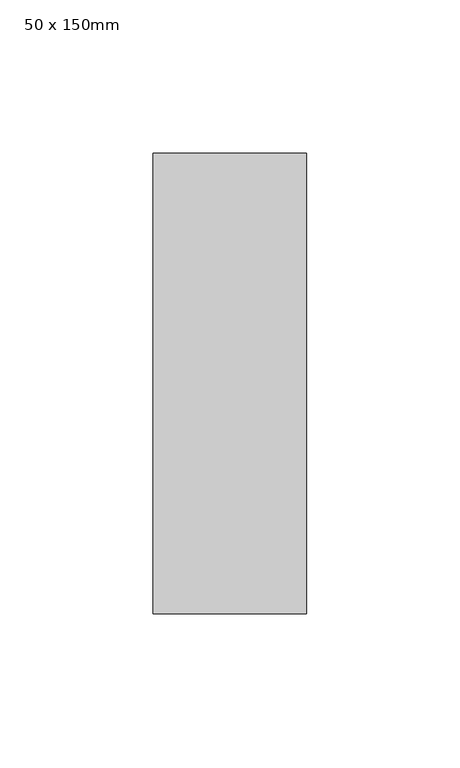
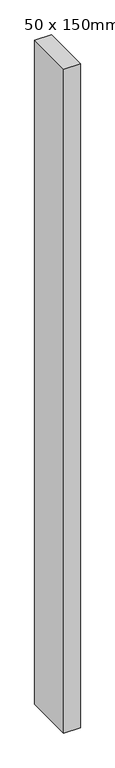
"""IFC4 building model written with IfcOpenShell, lengths in millimetres: member geometry, 50 x 150mm."""

import ifcopenshell
import ifcopenshell.guid

model = None  # the IFC model being written
_history = None  # IfcOwnerHistory: only IFC2X3 demands one
_inside = {}  # id of a spatial element -> (the spatial element, [elements in it])
_under = {}  # id of a project, library or spatial element -> (it, [spatial elements below it])
_declared = {}  # id of a project -> (the project, [libraries it declares])
_typed = {}  # id of a type object -> (the type object, [elements of that type])
_made_of = {}  # id of a material, layer set ... -> (it, [elements and type objects made of it])


def new_model(schema):
    """Start an empty IFC model of exactly this schema.

    Asked for "IFC4X3", IfcOpenShell would pick the latest addendum, in which some entities
    have other attributes; the version numbers below select the first issue.
    IFC2X3 requires an IfcOwnerHistory on every rooted entity: one is made here for all.
    """
    global model, _history
    if schema == "IFC4X3":
        model = ifcopenshell.file(schema_version=(4, 3, 0, 0))
    else:
        model = ifcopenshell.file(schema=schema)
    _inside.clear()
    _under.clear()
    _declared.clear()
    _typed.clear()
    _made_of.clear()
    _history = None
    if model.schema == "IFC2X3":
        org = make("IfcOrganization", Name="unknown")
        user = make(
            "IfcPersonAndOrganization",
            ThePerson=make("IfcPerson", FamilyName="unknown"),
            TheOrganization=org,
        )
        app = make(
            "IfcApplication",
            ApplicationDeveloper=org,
            Version="unknown",
            ApplicationFullName="unknown",
            ApplicationIdentifier="unknown",
        )
        _history = make(
            "IfcOwnerHistory",
            OwningUser=user,
            OwningApplication=app,
            ChangeAction="ADDED",
            CreationDate=0,
        )
    return model


def make(cls, **values):
    """One entity of the class cls with the attributes given. An attribute that is None is left unset."""
    return model.create_entity(
        cls, **{name: value for name, value in values.items() if value is not None}
    )


def rooted(cls, **values):
    """An entity with a GlobalId (a new one), such as an element, a storey or a relation."""
    return make(cls, GlobalId=ifcopenshell.guid.new(), OwnerHistory=_history, **values)


def si_unit(unit_type, name, prefix=None):
    """IfcSIUnit, for example si_unit("LENGTHUNIT", "METRE", prefix="MILLI")."""
    return make("IfcSIUnit", UnitType=unit_type, Prefix=prefix, Name=name)


def assignment(units):
    """IfcUnitAssignment: the units of a project."""
    return None if units is None else make("IfcUnitAssignment", Units=units)


def point(xyz):
    """IfcCartesianPoint."""
    return None if xyz is None else make("IfcCartesianPoint", Coordinates=xyz)


def direction(xyz):
    """IfcDirection."""
    return None if xyz is None else make("IfcDirection", DirectionRatios=xyz)


def frame(location, z_axis=None, x_axis=None):
    """IfcAxis2Placement3D, a coordinate frame: its origin and axes. An axis left out is left unset."""
    return make(
        "IfcAxis2Placement3D",
        Location=point(location),
        Axis=direction(z_axis),
        RefDirection=direction(x_axis),
    )


def origin():
    """The frame at (0, 0, 0) with its axes left unset."""
    return frame((0.0, 0.0, 0.0))


def place(relative_to, where):
    """IfcLocalPlacement: puts the frame where relative to a parent placement (None: the world)."""
    return make(
        "IfcLocalPlacement", PlacementRelTo=relative_to, RelativePlacement=where
    )


def context(
    kind, dimensions, precision=None, world=None, true_north=None, identifier=None
):
    """IfcGeometricRepresentationContext, for example the 3D "Model" context."""
    return make(
        "IfcGeometricRepresentationContext",
        ContextIdentifier=identifier,
        ContextType=kind,
        CoordinateSpaceDimension=dimensions,
        Precision=precision,
        WorldCoordinateSystem=world,
        TrueNorth=true_north,
    )


def project(units=None, contexts=None):
    """IfcProject with its units and contexts."""
    return rooted(
        "IfcProject",
        Name="project",
        RepresentationContexts=contexts,
        UnitsInContext=assignment(units),
    )


def spatial(cls, under=None, at=None, **own):
    """A site, building, storey or space (cls), placed at a placement, below another one or the project."""
    s = rooted(cls, ObjectPlacement=at, **own)
    if under is not None:
        _under.setdefault(under.id(), (under, []))[1].append(s)
    return s


def polyline(points):
    """IfcPolyline through the points."""
    return make("IfcPolyline", Points=[point(p) for p in points])


def outline(outer, holes=None, kind="AREA"):
    """IfcArbitraryClosedProfileDef: a profile drawn as a closed curve; with holes, ...WithVoids."""
    if holes is None:
        return make("IfcArbitraryClosedProfileDef", ProfileType=kind, OuterCurve=outer)
    return make(
        "IfcArbitraryProfileDefWithVoids",
        ProfileType=kind,
        OuterCurve=outer,
        InnerCurves=holes,
    )


def extrude(swept, where, along, depth):
    """IfcExtrudedAreaSolid: the profile swept, set in the frame where, extruded along a direction by depth."""
    return make(
        "IfcExtrudedAreaSolid",
        SweptArea=swept,
        Position=where,
        ExtrudedDirection=direction(along),
        Depth=depth,
    )


def shape(context_of_items, identifier, shape_type, items):
    """IfcShapeRepresentation: the items that make up one representation, for example the "Body"."""
    return make(
        "IfcShapeRepresentation",
        ContextOfItems=context_of_items,
        RepresentationIdentifier=identifier,
        RepresentationType=shape_type,
        Items=items,
    )


def source(mapping_origin, context_of_items, identifier, shape_type, items):
    """IfcRepresentationMap: a shape defined once, which mapped items show again and again."""
    return make(
        "IfcRepresentationMap",
        MappingOrigin=mapping_origin,
        MappedRepresentation=shape(context_of_items, identifier, shape_type, items),
    )


def transform(
    local_origin,
    x_axis=None,
    y_axis=None,
    z_axis=None,
    scale=None,
    scale2=None,
    scale3=None,
    uniform=True,
):
    """IfcCartesianTransformationOperator3D, or its non-uniform kind. x_axis, y_axis, z_axis: its Axis1, 2, 3."""
    if uniform:
        return make(
            "IfcCartesianTransformationOperator3D",
            Axis1=direction(x_axis),
            Axis2=direction(y_axis),
            LocalOrigin=point(local_origin),
            Scale=scale,
            Axis3=direction(z_axis),
        )
    return make(
        "IfcCartesianTransformationOperator3DnonUniform",
        Axis1=direction(x_axis),
        Axis2=direction(y_axis),
        LocalOrigin=point(local_origin),
        Scale=scale,
        Axis3=direction(z_axis),
        Scale2=scale2,
        Scale3=scale3,
    )


def mapped(mapping_source, mapping_target):
    """IfcMappedItem: shows the shape of a source again, moved by a transform."""
    return make(
        "IfcMappedItem", MappingSource=mapping_source, MappingTarget=mapping_target
    )


def made_of(thing, what):
    """Note that an element or type object is made of a material, layer set ...; save() writes the relation."""
    if what is not None:
        _made_of.setdefault(what.id(), (what, []))[1].append(thing)
    return thing


def element(
    cls,
    number,
    at=None,
    inside=None,
    cuts=None,
    type_object=None,
    material=None,
    context=None,
    identifier="Body",
    shape_type=None,
    held_by="IfcProductDefinitionShape",
    body=None,
    shapes=None,
    **own,
):
    """One element of the class cls, such as IfcWall. Its Tag is "e" and its number.

    at: its placement. inside: the storey or other place that contains it. cuts: it is an
    opening in that element (IfcRelVoidsElement). A single representation is given by context,
    identifier, shape_type and body (its items); several are given by shapes. held_by: the class
    of the entity that holds the representations. save() writes the other relations.
    """
    e = rooted(cls, Tag="e%d" % number, ObjectPlacement=at, **own)
    if body is not None:
        shapes = [shape(context, identifier, shape_type, body)]
    if shapes is not None:
        e.Representation = make(held_by, Representations=shapes)
    if inside is not None:
        _inside.setdefault(inside.id(), (inside, []))[1].append(e)
    if cuts is not None:
        rooted(
            "IfcRelVoidsElement", RelatingBuildingElement=cuts, RelatedOpeningElement=e
        )
    if type_object is not None:
        _typed.setdefault(type_object.id(), (type_object, []))[1].append(e)
    return made_of(e, material)


def aggregate(whole, parts):
    """IfcRelAggregates: a whole, such as a stair, and the parts it consists of."""
    return rooted("IfcRelAggregates", RelatingObject=whole, RelatedObjects=parts)


def save(model, path):
    """Write the relations noted so far, then the file.

    IfcRelAggregates (storeys below a building ...), IfcRelContainedInSpatialStructure (elements
    in a storey), IfcRelDefinesByType, IfcRelAssociatesMaterial and IfcRelDeclares: one each for
    every whole, place, type object, material and project.
    """
    for whole, parts in _under.values():
        aggregate(whole, parts)
    for where, things in _inside.values():
        rooted(
            "IfcRelContainedInSpatialStructure",
            RelatedElements=things,
            RelatingStructure=where,
        )
    for kind, things in _typed.values():
        rooted("IfcRelDefinesByType", RelatedObjects=things, RelatingType=kind)
    for what, things in _made_of.values():
        rooted("IfcRelAssociatesMaterial", RelatedObjects=things, RelatingMaterial=what)
    for by, libraries in _declared.values():
        rooted("IfcRelDeclares", RelatingContext=by, RelatedDefinitions=libraries)
    model.write(path)


def member_50_x_150mm_69155bbe(model_context):
    return source(origin(), model_context, "Body", "SweptSolid", [
        extrude(outline(polyline([(0.0, 75.0), (0.0, -75.0), (-50.0, -75.0), (-50.0, 75.0), (0.0, 75.0)])), frame((0.0, 0.0, -2100.0), z_axis=(0.0, 0.0, 1.0), x_axis=(1.0, 0.0, 0.0)), (0.0, 0.0, 1.0), 2100.0),
    ])


if __name__ == "__main__":
    model = new_model("IFC4")
    model_context = context("Model", 3, world=origin())
    ifc_project = project(units=[si_unit("LENGTHUNIT", "METRE", prefix="MILLI")], contexts=[model_context])
    site = spatial("IfcSite", under=ifc_project)
    building = spatial("IfcBuilding", under=site)
    placement = place(None, origin())
    member_50_x_150mm_shape = member_50_x_150mm_69155bbe(model_context)
    element("IfcMember", 1, ObjectType="50 x 150mm", at=placement, inside=building, context=model_context, shape_type="MappedRepresentation", body=[
        mapped(member_50_x_150mm_shape, transform((0.0, 0.0, 0.0), x_axis=(1.0, 0.0, 0.0), y_axis=(0.0, 1.0, 0.0), z_axis=(0.0, 0.0, 1.0))),
    ])
    save(model, "model.ifc")
